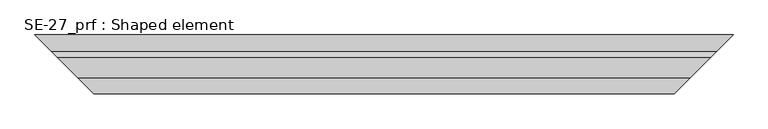
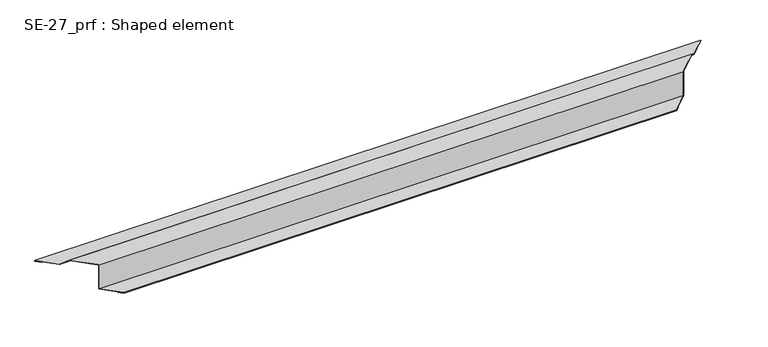
"""IFC4 building model written with IfcOpenShell, lengths in millimetres: proxy geometry, SE-27_prf : Shaped element."""

from ifc_helpers import new_model, si_unit, origin, place, context, project, spatial, faceted_brep, source, transform, mapped, element, save


def se_27_prf_shaped_element_197f914b(model_context):
    return source(origin(), model_context, "Body", "Brep", [
        faceted_brep([(43.0, -43.0, -48.0), (33.0, -33.0, -48.0), (1477.0, -33.0, -48.0), (1467.0, -43.0, -48.0), (33.0, -33.0, -47.0), (1477.0, -33.0, -47.0), (42.0, -42.0, -47.0), (1468.0, -42.0, -47.0), (42.0, -42.0, -46.0), (1468.0, -42.0, -46.0), (2.0, -2.0, -46.0), (1508.0, -2.0, -46.0), (2.0, -2.0, 18.8492424), (1508.0, -2.0, 18.8492424), (0.0, 0.0, 18.8492424), (-46.5857864, 46.5857864, 18.8492424), (1556.5857864, 46.5857864, 18.8492424), (1510.0, 0.0, 18.8492424), (-61.4350288, 61.4350288, 4.0), (1571.4350288, 61.4350288, 4.0), (-100.8492424, 100.8492424, 4.0), (1610.8492424, 100.8492424, 4.0), (-100.8492424, 100.8492424, 3.0), (1610.8492424, 100.8492424, 3.0), (-91.8492424, 91.8492424, 3.0), (1601.8492424, 91.8492424, 3.0), (-91.8492424, 91.8492424, 2.0), (1601.8492424, 91.8492424, 2.0), (-101.8492424, 101.8492424, 2.0), (1611.8492424, 101.8492424, 2.0), (-101.8492424, 101.8492424, 5.0), (1611.8492424, 101.8492424, 5.0), (-61.8492424, 61.8492424, 5.0), (1571.8492424, 61.8492424, 5.0), (-47.0, 47.0, 19.8492424), (1557.0, 47.0, 19.8492424), (0.0, 0.0, 19.8492424), (3.0, -3.0, 19.8492424), (1507.0, -3.0, 19.8492424), (1510.0, 0.0, 19.8492424), (3.0, -3.0, -45.0), (1507.0, -3.0, -45.0), (43.0, -43.0, -45.0), (1467.0, -43.0, -45.0)], [[[0, 1, 2, 3]], [[1, 4, 5, 2]], [[4, 6, 7, 5]], [[6, 8, 9, 7]], [[8, 10, 11, 9]], [[10, 12, 13, 11]], [[14, 15, 16, 17, 13, 12]], [[15, 18, 19, 16]], [[18, 20, 21, 19]], [[20, 22, 23, 21]], [[22, 24, 25, 23]], [[24, 26, 27, 25]], [[26, 28, 29, 27]], [[28, 30, 31, 29]], [[30, 32, 33, 31]], [[32, 34, 35, 33]], [[34, 36, 37, 38, 39, 35]], [[37, 40, 41, 38]], [[40, 42, 43, 41]], [[42, 0, 3, 43]], [[14, 36, 34, 32, 30, 28, 26, 24, 22, 20, 18, 15]], [[36, 14, 12, 10, 8, 6, 4, 1, 0, 42, 40, 37]], [[39, 17, 16, 19, 21, 23, 25, 27, 29, 31, 33, 35]], [[17, 39, 38, 41, 43, 3, 2, 5, 7, 9, 11, 13]]]),
    ])


if __name__ == "__main__":
    model = new_model("IFC4")
    model_context = context("Model", 3, world=origin())
    ifc_project = project(units=[si_unit("LENGTHUNIT", "METRE", prefix="MILLI")], contexts=[model_context])
    site = spatial("IfcSite", under=ifc_project)
    building = spatial("IfcBuilding", under=site)
    placement = place(None, origin())
    se_27_prf_shaped_element_shape = se_27_prf_shaped_element_197f914b(model_context)
    element("IfcBuildingElementProxy", 1, Name="SE-27_prf : Shaped element", ObjectType="SE-27_prf : Shaped element", at=placement, inside=building, context=model_context, shape_type="MappedRepresentation", body=[
        mapped(se_27_prf_shaped_element_shape, transform((0.0, 0.0, 0.0), x_axis=(1.0, 0.0, 0.0), y_axis=(0.0, 1.0, 0.0), z_axis=(0.0, 0.0, 1.0))),
    ])
    save(model, "model.ifc")
